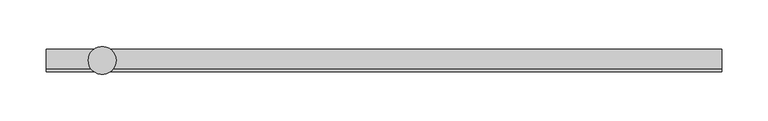
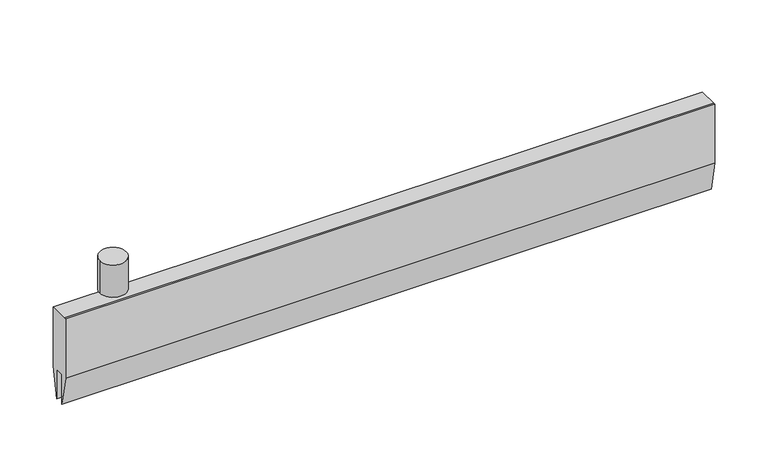
"""IFC4 building model written with IfcOpenShell, lengths in millimetres: proxy geometry."""

from ifc_helpers import new_model, si_unit, point, frame, origin, origin_2d, place, context, project, spatial, polyline, circle_curve, trimmed, segment, composite_curve, outline, extrude, source, transform, mapped, element, save


def specialty_equipment_b581e7c2(model_context):
    return source(origin(), model_context, "Body", "SweptSolid", [
        extrude(outline(polyline([(12.0, 49.0), (12.0, -21.0), (5.0, -56.0), (5.0, -21.0), (-5.0, -21.0), (-5.0, -56.0), (-12.0, -21.0), (-12.0, 49.0), (-9.692747, 49.0), (12.0, 49.0)])), frame((-60.0, 0.0, 0.0), z_axis=(1.0, 0.0, 0.0), x_axis=(0.0, 1.0, 0.0)), (0.0, 0.0, 1.0), 726.6731661),
        extrude(outline(composite_curve([segment(trimmed(circle_curve(origin_2d(), 4.0), [point((-4.0, 0.0))], [point((4.0, 0.0))], False, "CARTESIAN"), True, "CONTINUOUS"), segment(trimmed(circle_curve(origin_2d(), 4.0), [point((4.0, 0.0))], [point((-4.0, 0.0))], False, "CARTESIAN"), True, "CONTINUOUS")], self_intersect=False)), frame((0.0, 0.0, 49.0), z_axis=(0.0, 0.0, 1.0), x_axis=(1.0, 0.0, 0.0)), (0.0, 0.0, 1.0), 30.0),
        extrude(outline(composite_curve([segment(trimmed(circle_curve(origin_2d(), 15.0), [point((-15.0, 0.0))], [point((15.0, 0.0))], False, "CARTESIAN"), True, "CONTINUOUS"), segment(trimmed(circle_curve(origin_2d(), 15.0), [point((15.0, 0.0))], [point((-15.0, 0.0))], False, "CARTESIAN"), True, "CONTINUOUS")], self_intersect=False)), frame((0.0, 0.0, 57.0), z_axis=(0.0, 0.0, 1.0), x_axis=(1.0, 0.0, 0.0)), (0.0, 0.0, 1.0), 38.0),
    ])


if __name__ == "__main__":
    model = new_model("IFC4")
    model_context = context("Model", 3, world=origin())
    ifc_project = project(units=[si_unit("LENGTHUNIT", "METRE", prefix="MILLI")], contexts=[model_context])
    site = spatial("IfcSite", under=ifc_project)
    building = spatial("IfcBuilding", under=site)
    placement = place(None, origin())
    specialty_equipment_shape = specialty_equipment_b581e7c2(model_context)
    element("IfcBuildingElementProxy", 1, Name="Specialty Equipment", at=placement, inside=building, context=model_context, shape_type="MappedRepresentation", body=[
        mapped(specialty_equipment_shape, transform((0.0, 0.0, 0.0), x_axis=(1.0, 0.0, 0.0), y_axis=(0.0, 1.0, 0.0), z_axis=(0.0, 0.0, 1.0))),
    ])
    save(model, "model.ifc")
